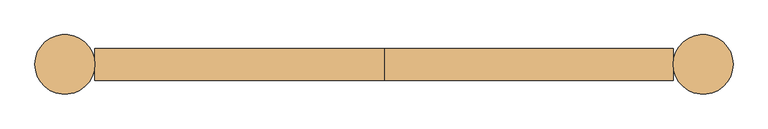
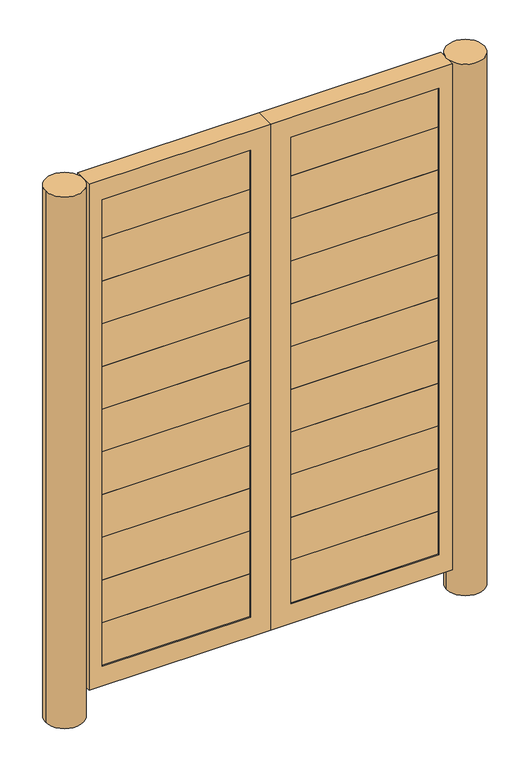
"""IFC4 building model written with IfcOpenShell, lengths in millimetres: door geometry."""

from ifc_helpers import new_model, si_unit, point, frame, frame_2d, origin, origin_with_axes, place, context, project, spatial, polyline, circle_curve, trimmed, segment, composite_curve, outline, extrude, source, transform, mapped, element, save


def door_d9556e57(model_context):
    return source(origin(), model_context, "Body", "SweptSolid", [
        extrude(outline(polyline([(33.3375, 1895.475), (-33.3375, 1895.475), (-33.3375, 2066.925), (33.3375, 2066.925), (33.3375, 2042.31875), (-4.7625, 2005.80625), (-4.7625, 1956.59375), (33.3375, 1920.08125), (33.3375, 1895.475)])), frame((-639.7625, 0.0, 0.0), z_axis=(1.0, 0.0, 0.0), x_axis=(0.0, 1.0, 0.0)), (0.0, 0.0, 1.0), 563.5625),
        extrude(outline(polyline([(33.3375, 1724.025), (-33.3375, 1724.025), (-33.3375, 1895.475), (33.3375, 1895.475), (33.3375, 1870.86875), (-4.7625, 1834.35625), (-4.7625, 1785.14375), (33.3375, 1748.63125), (33.3375, 1724.025)])), frame((-639.7625, 0.0, 0.0), z_axis=(1.0, 0.0, 0.0), x_axis=(0.0, 1.0, 0.0)), (0.0, 0.0, 1.0), 563.5625),
        extrude(outline(polyline([(33.3375, 1552.575), (-33.3375, 1552.575), (-33.3375, 1724.025), (33.3375, 1724.025), (33.3375, 1699.41875), (-4.7625, 1662.90625), (-4.7625, 1613.69375), (33.3375, 1577.18125), (33.3375, 1552.575)])), frame((-639.7625, 0.0, 0.0), z_axis=(1.0, 0.0, 0.0), x_axis=(0.0, 1.0, 0.0)), (0.0, 0.0, 1.0), 563.5625),
        extrude(outline(polyline([(33.3375, 1381.125), (-33.3375, 1381.125), (-33.3375, 1552.575), (33.3375, 1552.575), (33.3375, 1527.96875), (-4.7625, 1491.45625), (-4.7625, 1442.24375), (33.3375, 1405.73125), (33.3375, 1381.125)])), frame((-639.7625, 0.0, 0.0), z_axis=(1.0, 0.0, 0.0), x_axis=(0.0, 1.0, 0.0)), (0.0, 0.0, 1.0), 563.5625),
        extrude(outline(polyline([(33.3375, 1209.675), (-33.3375, 1209.675), (-33.3375, 1381.125), (33.3375, 1381.125), (33.3375, 1356.51875), (-4.7625, 1320.00625), (-4.7625, 1270.79375), (33.3375, 1234.28125), (33.3375, 1209.675)])), frame((-639.7625, 0.0, 0.0), z_axis=(1.0, 0.0, 0.0), x_axis=(0.0, 1.0, 0.0)), (0.0, 0.0, 1.0), 563.5625),
        extrude(outline(polyline([(33.3375, 1038.225), (-33.3375, 1038.225), (-33.3375, 1209.675), (33.3375, 1209.675), (33.3375, 1185.06875), (-4.7625, 1148.55625), (-4.7625, 1099.34375), (33.3375, 1062.83125), (33.3375, 1038.225)])), frame((-639.7625, 0.0, 0.0), z_axis=(1.0, 0.0, 0.0), x_axis=(0.0, 1.0, 0.0)), (0.0, 0.0, 1.0), 563.5625),
        extrude(outline(polyline([(33.3375, 866.775), (-33.3375, 866.775), (-33.3375, 1038.225), (33.3375, 1038.225), (33.3375, 1013.61875), (-4.7625, 977.10625), (-4.7625, 927.89375), (33.3375, 891.38125), (33.3375, 866.775)])), frame((-639.7625, 0.0, 0.0), z_axis=(1.0, 0.0, 0.0), x_axis=(0.0, 1.0, 0.0)), (0.0, 0.0, 1.0), 563.5625),
        extrude(outline(polyline([(33.3375, 695.325), (-33.3375, 695.325), (-33.3375, 866.775), (33.3375, 866.775), (33.3375, 842.16875), (-4.7625, 805.65625), (-4.7625, 756.44375), (33.3375, 719.93125), (33.3375, 695.325)])), frame((-639.7625, 0.0, 0.0), z_axis=(1.0, 0.0, 0.0), x_axis=(0.0, 1.0, 0.0)), (0.0, 0.0, 1.0), 563.5625),
        extrude(outline(polyline([(33.3375, 523.875), (-33.3375, 523.875), (-33.3375, 695.325), (33.3375, 695.325), (33.3375, 670.71875), (-4.7625, 634.20625), (-4.7625, 584.99375), (33.3375, 548.48125), (33.3375, 523.875)])), frame((-639.7625, 0.0, 0.0), z_axis=(1.0, 0.0, 0.0), x_axis=(0.0, 1.0, 0.0)), (0.0, 0.0, 1.0), 563.5625),
        extrude(outline(polyline([(33.3375, 352.425), (-33.3375, 352.425), (-33.3375, 523.875), (33.3375, 523.875), (33.3375, 499.26875), (-4.7625, 462.75625), (-4.7625, 413.54375), (33.3375, 377.03125), (33.3375, 352.425)])), frame((-639.7625, 0.0, 0.0), z_axis=(1.0, 0.0, 0.0), x_axis=(0.0, 1.0, 0.0)), (0.0, 0.0, 1.0), 563.5625),
        extrude(outline(polyline([(33.3375, 180.975), (-33.3375, 180.975), (-33.3375, 352.425), (33.3375, 352.425), (33.3375, 327.81875), (-4.7625, 291.30625), (-4.7625, 242.09375), (33.3375, 205.58125), (33.3375, 180.975)])), frame((-639.7625, 0.0, 0.0), z_axis=(1.0, 0.0, 0.0), x_axis=(0.0, 1.0, 0.0)), (0.0, 0.0, 1.0), 563.5625),
        extrude(outline(polyline([(33.3375, 1895.475), (-33.3375, 1895.475), (-33.3375, 2066.925), (33.3375, 2066.925), (33.3375, 2042.31875), (-4.7625, 2005.80625), (-4.7625, 1956.59375), (33.3375, 1920.08125), (33.3375, 1895.475)])), frame((76.2, 0.0, 0.0), z_axis=(1.0, 0.0, 0.0), x_axis=(0.0, 1.0, 0.0)), (0.0, 0.0, 1.0), 563.5625),
        extrude(outline(polyline([(33.3375, 1724.025), (-33.3375, 1724.025), (-33.3375, 1895.475), (33.3375, 1895.475), (33.3375, 1870.86875), (-4.7625, 1834.35625), (-4.7625, 1785.14375), (33.3375, 1748.63125), (33.3375, 1724.025)])), frame((76.2, 0.0, 0.0), z_axis=(1.0, 0.0, 0.0), x_axis=(0.0, 1.0, 0.0)), (0.0, 0.0, 1.0), 563.5625),
        extrude(outline(polyline([(33.3375, 1552.575), (-33.3375, 1552.575), (-33.3375, 1724.025), (33.3375, 1724.025), (33.3375, 1699.41875), (-4.7625, 1662.90625), (-4.7625, 1613.69375), (33.3375, 1577.18125), (33.3375, 1552.575)])), frame((76.2, 0.0, 0.0), z_axis=(1.0, 0.0, 0.0), x_axis=(0.0, 1.0, 0.0)), (0.0, 0.0, 1.0), 563.5625),
        extrude(outline(polyline([(33.3375, 1381.125), (-33.3375, 1381.125), (-33.3375, 1552.575), (33.3375, 1552.575), (33.3375, 1527.96875), (-4.7625, 1491.45625), (-4.7625, 1442.24375), (33.3375, 1405.73125), (33.3375, 1381.125)])), frame((76.2, 0.0, 0.0), z_axis=(1.0, 0.0, 0.0), x_axis=(0.0, 1.0, 0.0)), (0.0, 0.0, 1.0), 563.5625),
        extrude(outline(polyline([(33.3375, 1209.675), (-33.3375, 1209.675), (-33.3375, 1381.125), (33.3375, 1381.125), (33.3375, 1356.51875), (-4.7625, 1320.00625), (-4.7625, 1270.79375), (33.3375, 1234.28125), (33.3375, 1209.675)])), frame((76.2, 0.0, 0.0), z_axis=(1.0, 0.0, 0.0), x_axis=(0.0, 1.0, 0.0)), (0.0, 0.0, 1.0), 563.5625),
        extrude(outline(polyline([(33.3375, 1038.225), (-33.3375, 1038.225), (-33.3375, 1209.675), (33.3375, 1209.675), (33.3375, 1185.06875), (-4.7625, 1148.55625), (-4.7625, 1099.34375), (33.3375, 1062.83125), (33.3375, 1038.225)])), frame((76.2, 0.0, 0.0), z_axis=(1.0, 0.0, 0.0), x_axis=(0.0, 1.0, 0.0)), (0.0, 0.0, 1.0), 563.5625),
        extrude(outline(polyline([(33.3375, 866.775), (-33.3375, 866.775), (-33.3375, 1038.225), (33.3375, 1038.225), (33.3375, 1013.61875), (-4.7625, 977.10625), (-4.7625, 927.89375), (33.3375, 891.38125), (33.3375, 866.775)])), frame((76.2, 0.0, 0.0), z_axis=(1.0, 0.0, 0.0), x_axis=(0.0, 1.0, 0.0)), (0.0, 0.0, 1.0), 563.5625),
        extrude(outline(polyline([(33.3375, 695.325), (-33.3375, 695.325), (-33.3375, 866.775), (33.3375, 866.775), (33.3375, 842.16875), (-4.7625, 805.65625), (-4.7625, 756.44375), (33.3375, 719.93125), (33.3375, 695.325)])), frame((76.2, 0.0, 0.0), z_axis=(1.0, 0.0, 0.0), x_axis=(0.0, 1.0, 0.0)), (0.0, 0.0, 1.0), 563.5625),
        extrude(outline(polyline([(33.3375, 523.875), (-33.3375, 523.875), (-33.3375, 695.325), (33.3375, 695.325), (33.3375, 670.71875), (-4.7625, 634.20625), (-4.7625, 584.99375), (33.3375, 548.48125), (33.3375, 523.875)])), frame((76.2, 0.0, 0.0), z_axis=(1.0, 0.0, 0.0), x_axis=(0.0, 1.0, 0.0)), (0.0, 0.0, 1.0), 563.5625),
        extrude(outline(polyline([(33.3375, 352.425), (-33.3375, 352.425), (-33.3375, 523.875), (33.3375, 523.875), (33.3375, 499.26875), (-4.7625, 462.75625), (-4.7625, 413.54375), (33.3375, 377.03125), (33.3375, 352.425)])), frame((76.2, 0.0, 0.0), z_axis=(1.0, 0.0, 0.0), x_axis=(0.0, 1.0, 0.0)), (0.0, 0.0, 1.0), 563.5625),
        extrude(outline(polyline([(33.3375, 180.975), (-33.3375, 180.975), (-33.3375, 352.425), (33.3375, 352.425), (33.3375, 327.81875), (-4.7625, 291.30625), (-4.7625, 242.09375), (33.3375, 205.58125), (33.3375, 180.975)])), frame((76.2, 0.0, 0.0), z_axis=(1.0, 0.0, 0.0), x_axis=(0.0, 1.0, 0.0)), (0.0, 0.0, 1.0), 563.5625),
        extrude(outline(composite_curve([segment(trimmed(circle_curve(frame_2d((-762.0, 0.0)), 71.4375), [point((-833.4375, 0.0))], [point((-690.5625, 0.0))], False, "CARTESIAN"), True, "CONTINUOUS"), segment(trimmed(circle_curve(frame_2d((-762.0, 0.0)), 71.4375), [point((-690.5625, 0.0))], [point((-833.4375, 0.0))], False, "CARTESIAN"), True, "CONTINUOUS")], self_intersect=False)), origin_with_axes(), (0.0, 0.0, 1.0), 2133.6),
        extrude(outline(composite_curve([segment(trimmed(circle_curve(frame_2d((762.0, 0.0)), 71.4375), [point((690.5625, 0.0))], [point((833.4375, 0.0))], False, "CARTESIAN"), True, "CONTINUOUS"), segment(trimmed(circle_curve(frame_2d((762.0, 0.0)), 71.4375), [point((833.4375, 0.0))], [point((690.5625, 0.0))], False, "CARTESIAN"), True, "CONTINUOUS")], self_intersect=False)), origin_with_axes(), (0.0, 0.0, 1.0), 2133.6),
        extrude(outline(polyline([(2133.6, -690.5625), (101.6, -690.5625), (101.6, 0.0), (2133.6, 0.0), (2133.6, -690.5625)]), holes=[polyline([(2054.225, -639.7625), (2054.225, -76.2), (180.975, -76.2), (180.975, -639.7625), (2054.225, -639.7625)])]), frame((0.0, -38.1, 0.0), z_axis=(0.0, 1.0, 0.0), x_axis=(0.0, 0.0, 1.0)), (0.0, 0.0, 1.0), 76.2),
        extrude(outline(polyline([(2133.6, 0.0), (101.6, 0.0), (101.6, 690.5625), (2133.6, 690.5625), (2133.6, 0.0)]), holes=[polyline([(2054.225, 76.2), (2054.225, 639.7625), (180.975, 639.7625), (180.975, 76.2), (2054.225, 76.2)])]), frame((0.0, -38.1, 0.0), z_axis=(0.0, 1.0, 0.0), x_axis=(0.0, 0.0, 1.0)), (0.0, 0.0, 1.0), 76.2),
    ])


if __name__ == "__main__":
    model = new_model("IFC4")
    model_context = context("Model", 3, world=origin())
    ifc_project = project(units=[si_unit("LENGTHUNIT", "METRE", prefix="MILLI")], contexts=[model_context])
    site = spatial("IfcSite", under=ifc_project)
    building = spatial("IfcBuilding", under=site)
    placement = place(None, origin())
    door_shape = door_d9556e57(model_context)
    element("IfcDoor", 1, at=placement, inside=building, context=model_context, shape_type="MappedRepresentation", body=[
        mapped(door_shape, transform((0.0, 0.0, 0.0), x_axis=(1.0, 0.0, 0.0), y_axis=(0.0, 1.0, 0.0), z_axis=(0.0, 0.0, 1.0))),
    ])
    save(model, "model.ifc")
